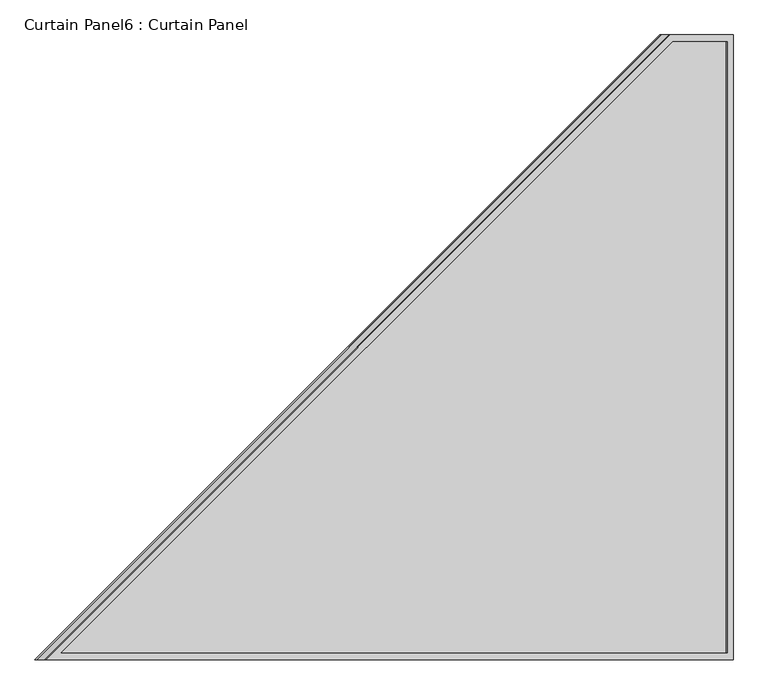
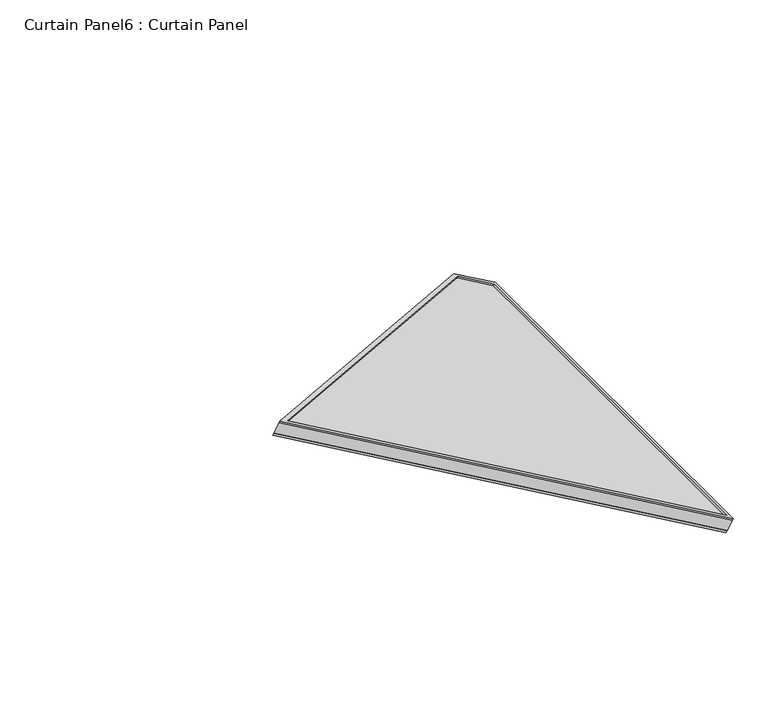
"""IFC4 building model written with IfcOpenShell, lengths in millimetres: plate geometry, Curtain Panel6 : Curtain Panel."""

from ifc_helpers import new_model, si_unit, frame, origin, place, context, project, spatial, polyline, outline, extrude, source, transform, mapped, element, save


def curtain_panel6_curtain_panel_663db1a5(model_context):
    return source(origin(), model_context, "Body", "SweptSolid", [
        extrude(outline(polyline([(138.335337, -1193.8), (0.0, -1193.8), (0.0, 0.0), (1516.8168398, 0.0), (138.335337, -1193.8)]), holes=[polyline([(1482.7525725, -12.7), (12.7, -12.7), (12.7, -1181.1), (133.6004634, -1181.1), (1482.7525725, -12.7)])]), frame((-5750.8462859, 9745.5537369, 600.1218093), z_axis=(0.500000000000002, 0.0, 0.8660254037844375), x_axis=(-0.8660254037844375, 0.0, 0.500000000000002)), (0.0, 0.0, 1.0), 4.7672095),
        extrude(outline(polyline([(138.335337, -1193.8), (0.0, -1193.8), (0.0, 0.0), (1516.8168398, 0.0), (138.335337, -1193.8)]), holes=[polyline([(1482.7525724, -12.7), (12.7, -12.7), (12.7, -1181.1), (133.6004633, -1181.1), (1482.7525724, -12.7)])]), frame((-5769.274102, 9745.5537369, 568.2038956), z_axis=(0.5000000000000018, 0.0, 0.8660254037844376), x_axis=(-0.8660254037844376, 0.0, 0.5000000000000018)), (0.0, 0.0, 1.0), 6.7312322),
        extrude(outline(polyline([(12.7, 0.0), (1206.5, 0.0), (1206.5, -1516.8168398), (12.7, -138.335337), (12.7, 0.0)])), frame((-5765.9084859, 10952.0537369, 574.0333136), z_axis=(0.5000000000000002, 0.0, 0.8660254037844386), x_axis=(0.0, -1.0, 0.0)), (0.0, 0.0, 1.0), 30.1244),
    ])


if __name__ == "__main__":
    model = new_model("IFC4")
    model_context = context("Model", 3, world=origin())
    ifc_project = project(units=[si_unit("LENGTHUNIT", "METRE", prefix="MILLI")], contexts=[model_context])
    site = spatial("IfcSite", under=ifc_project)
    building = spatial("IfcBuilding", under=site)
    placement = place(None, origin())
    curtain_panel6_curtain_panel_shape = curtain_panel6_curtain_panel_663db1a5(model_context)
    element("IfcPlate", 1, ObjectType="Curtain Panel6 : Curtain Panel", at=placement, inside=building, context=model_context, shape_type="MappedRepresentation", body=[
        mapped(curtain_panel6_curtain_panel_shape, transform((0.0, 0.0, 0.0), x_axis=(1.0, 0.0, 0.0), y_axis=(0.0, 1.0, 0.0), z_axis=(0.0, 0.0, 1.0))),
    ])
    save(model, "model.ifc")
